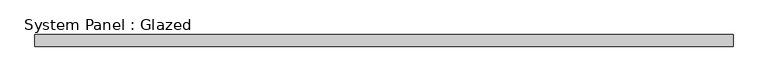
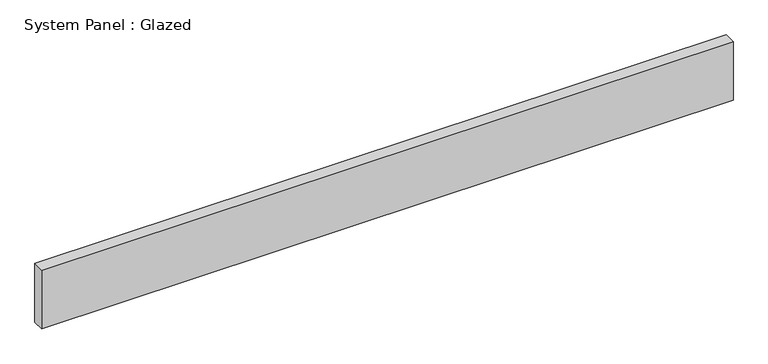
"""IFC4 building model written with IfcOpenShell, lengths in millimetres: plate geometry, System Panel : Glazed."""

from ifc_helpers import new_model, si_unit, origin, origin_with_axes, place, context, project, spatial, polyline, outline, extrude, source, transform, mapped, element, save


def system_panel_glazed_295ecbd2(model_context):
    return source(origin(), model_context, "Body", "SweptSolid", [
        extrude(outline(polyline([(750.0, 24.5), (-750.0, 24.5), (-750.0, 49.5), (750.0, 49.5), (750.0, 24.5)])), origin_with_axes(), (0.0, 0.0, 1.0), 135.0),
    ])


if __name__ == "__main__":
    model = new_model("IFC4")
    model_context = context("Model", 3, world=origin())
    ifc_project = project(units=[si_unit("LENGTHUNIT", "METRE", prefix="MILLI")], contexts=[model_context])
    site = spatial("IfcSite", under=ifc_project)
    building = spatial("IfcBuilding", under=site)
    placement = place(None, origin())
    system_panel_glazed_shape = system_panel_glazed_295ecbd2(model_context)
    element("IfcPlate", 1, ObjectType="System Panel : Glazed", at=placement, inside=building, context=model_context, shape_type="MappedRepresentation", body=[
        mapped(system_panel_glazed_shape, transform((0.0, 0.0, 0.0), x_axis=(1.0, 0.0, 0.0), y_axis=(0.0, 1.0, 0.0), z_axis=(0.0, 0.0, 1.0))),
    ])
    save(model, "model.ifc")
